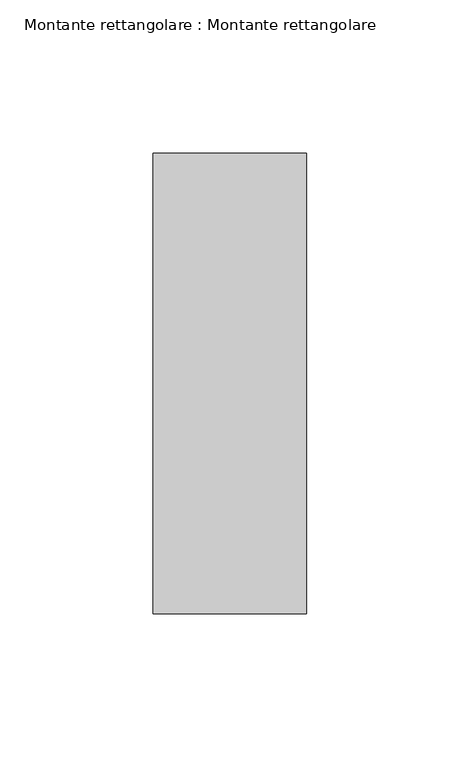
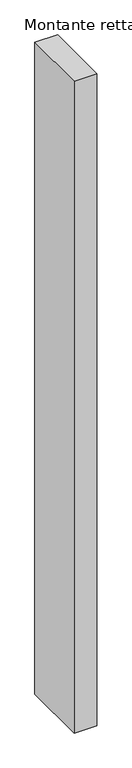
"""IFC4 building model written with IfcOpenShell, lengths in millimetres: member geometry, Montante rettangolare : Montante rettangolare."""

from ifc_helpers import new_model, si_unit, frame, origin, place, context, project, spatial, polyline, outline, extrude, source, transform, mapped, element, save


def montante_rettangolare_montante_rettangolare_f8b3a6bb(model_context):
    return source(origin(), model_context, "Body", "SweptSolid", [
        extrude(outline(polyline([(25.0, 75.0), (25.0, -75.0), (-25.0, -75.0), (-25.0, 75.0), (25.0, 75.0)])), frame((0.0, 0.0, -1525.0), z_axis=(0.0, 0.0, 1.0), x_axis=(1.0, 0.0, 0.0)), (0.0, 0.0, 1.0), 1525.0),
    ])


if __name__ == "__main__":
    model = new_model("IFC4")
    model_context = context("Model", 3, world=origin())
    ifc_project = project(units=[si_unit("LENGTHUNIT", "METRE", prefix="MILLI")], contexts=[model_context])
    site = spatial("IfcSite", under=ifc_project)
    building = spatial("IfcBuilding", under=site)
    placement = place(None, origin())
    montante_rettangolare_montante_rettangolare_shape = montante_rettangolare_montante_rettangolare_f8b3a6bb(model_context)
    element("IfcMember", 1, ObjectType="Montante rettangolare : Montante rettangolare", at=placement, inside=building, context=model_context, shape_type="MappedRepresentation", body=[
        mapped(montante_rettangolare_montante_rettangolare_shape, transform((0.0, 0.0, 0.0), x_axis=(1.0, 0.0, 0.0), y_axis=(0.0, 1.0, 0.0), z_axis=(0.0, 0.0, 1.0))),
    ])
    save(model, "model.ifc")
